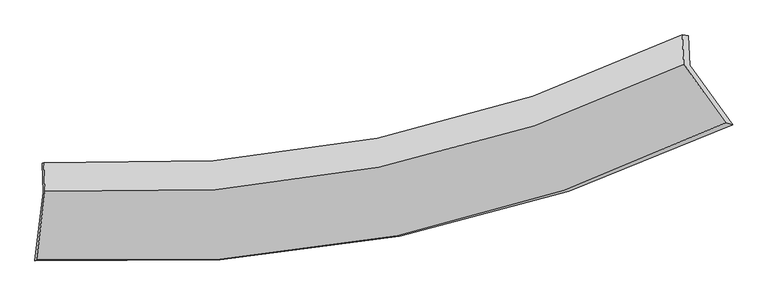
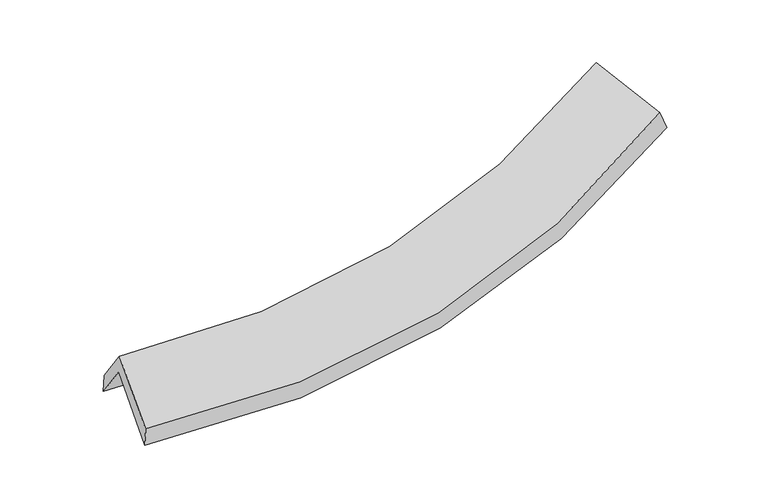
"""IFC4 building model written with IfcOpenShell, lengths in millimetres: proxy geometry."""

from ifc_helpers import new_model, si_unit, frame, origin, place, context, project, spatial, source, transform, mapped, element, save
from ifc_brep_helpers import plane_surface, spline_curve, spline_surface, advanced_brep


def generic_models_2a1711d9(model_context):
    return source(origin(), model_context, "Body", "AdvancedBrep", [
        advanced_brep(
        [(-2708.3489017, -2501.9058953, 1553.3658647), (-2641.0347164, -1956.918929, 1928.6491566), (2482.4911898, -950.2617157, 2465.3258102), (2820.6629671, -1424.1064591, 2125.6425632), (-2652.0926612, -1729.9450801, 1601.0208411), (2471.2029928, -718.5617423, 2130.8755094), (-2639.5410633, -1724.0800315, 1751.4671254), (2421.7781161, -711.9835425, 2280.9116327), (-2628.5422413, -1949.8403332, 2077.3437307), (2433.0663131, -943.6835159, 2615.3619334), (-2695.3655587, -2490.8531502, 1704.7970764), (2764.6503285, -1408.2975175, 2282.2958926)],
        [
            (0, 1),
            (1, 2, spline_curve(3, [(-2641.0347164, -1956.918929, 1928.6491566), (-1717.738222341, -2006.419548491, 1862.098538156), (-824.649776358, -1945.099120741, 1874.936439345), (881.859285007, -1604.656822012, 2057.331615167), (1696.612808052, -1330.424845131, 2223.385932159), (2482.4911898, -950.2617157, 2465.3258102)], [4, 2, 4], [0.0, 9.18678532868145, 18.168604187723634])),
            (2, 3),
            (3, 0, spline_curve(3, [(2820.6629671, -1424.1064591, 2125.6425632), (1971.321231086, -1832.689415464, 1866.156023292), (1091.445662474, -2127.087122631, 1688.329288568), (-750.148819379, -2491.624514011, 1493.800885705), (-1713.277207422, -2556.493285598, 1480.868720956), (-2708.3489017, -2501.9058953, 1553.3658647)], [4, 2, 4], [0.0, 8.981818859042184, 18.168604187723634])),
            (1, 4),
            (4, 5, spline_curve(3, [(-2652.0926612, -1729.9450801, 1601.0208411), (-1729.050506493, -1774.225167138, 1526.934577929), (-836.107418682, -1709.921140546, 1535.465764733), (870.32970113, -1368.002169669, 1715.729420019), (1685.151831068, -1095.178417026, 1883.816455793), (2471.2029928, -718.5617423, 2130.8755094)], [4, 2, 4], [0.0, 8.831290383206001, 17.465545748454883])),
            (5, 2),
            (4, 6),
            (6, 7, spline_curve(3, [(-2639.5410633, -1724.0800315, 1751.4671254), (-1726.558256085, -1768.141834111, 1688.305428186), (-843.869993621, -1703.669118949, 1702.202320273), (841.899675511, -1361.514619547, 1882.083974567), (1646.317806347, -1088.621838374, 2044.668584888), (2421.7781161, -711.9835425, 2280.9116327)], [4, 2, 4], [0.0, 8.779153432813395, 17.362435075749723])),
            (7, 5),
            (6, 8),
            (8, 9, spline_curve(3, [(-2628.5422413, -1949.8403332, 2077.3437307), (-1715.449582086, -1996.156943754, 2017.436764797), (-832.682351596, -1933.305117457, 2033.673349951), (853.182413278, -1593.102537345, 2216.372527015), (1657.618034358, -1320.568757648, 2379.475343153), (2433.0663131, -943.6835159, 2615.3619334)], [4, 2, 4], [0.0, 8.727004568721568, 17.2593008414528])),
            (9, 7),
            (8, 10),
            (10, 11, spline_curve(3, [(-2695.3655587, -2490.8531502, 1704.7970764), (-1708.266349594, -2550.863894061, 1632.905278044), (-754.959358887, -2488.270864963, 1646.58175154), (1063.55488098, -2122.009188946, 1842.856992236), (1930.253186009, -1823.750340433, 2021.680123978), (2764.6503285, -1408.2975175, 2282.2958926)], [4, 2, 4], [0.0, 9.054377913077884, 17.906743499838605])),
            (11, 9),
            (10, 0),
            (3, 11),
        ],
        [
            spline_surface(3, 3, [[(-2708.3489017, -2501.9058953, 1553.3658647), (-1713.277207371, -2556.49328552, 1480.868720873), (-750.148819502, -2491.624513931, 1493.800885678), (1091.445662595, -2127.087122709, 1688.329288595), (1971.321231025, -1832.689415589, 1866.156023264), (2820.6629671, -1424.1064591, 2125.6425632)], [(-2685.910839944, -2320.2435732, 1678.460295339), (-1714.76421238, -2373.13537318, 1607.945326677), (-774.98247182, -2309.449382928, 1620.846070219), (1021.583536756, -1952.943689109, 1811.330064168), (1879.751756656, -1665.267892092, 1985.232659545), (2707.939041337, -1266.158211323, 2238.870312175)], [(-2663.472778156, -2138.5812511, 1803.554725961), (-1716.251217358, -2189.777460839, 1735.021932465), (-799.816124126, -2127.274251888, 1747.891254708), (951.72141093, -1778.800255471, 1934.330839688), (1788.182282276, -1497.846368526, 2104.309295901), (2595.215115563, -1108.209963477, 2352.098061225)], [(-2641.0347164, -1956.918929, 1928.6491566), (-1717.738222367, -2006.419548499, 1862.098538269), (-824.649776444, -1945.099120886, 1874.936439249), (881.859285092, -1604.656821871, 2057.331615261), (1696.612807906, -1330.424845029, 2223.385932182), (2482.4911898, -950.2617157, 2465.3258102)]], [4, 4], [4, 2, 4], [0.0, 2.192222475779658], [0.0, 9.18678532868145, 18.168604187723634]),
            spline_surface(3, 3, [[(-2641.0347164, -1956.918929, 1928.6491566), (-1717.738222367, -2006.419548499, 1862.098538269), (-824.649776444, -1945.099120886, 1874.936439249), (881.859285092, -1604.656821871, 2057.331615261), (1696.612807906, -1330.424845029, 2223.385932182), (2482.4911898, -950.2617157, 2465.3258102)], [(-2644.720698, -1881.260979373, 1819.439718082), (-1721.508983721, -1929.02142136, 1750.377218185), (-828.468990476, -1866.706460764, 1761.779547766), (878.016090389, -1525.771937796, 1943.464216795), (1692.792482305, -1252.009368986, 2110.196106763), (2478.728457472, -873.028391219, 2353.842376627)], [(-2648.4066796, -1805.603029727, 1710.230279618), (-1725.279745074, -1851.623294201, 1638.655898153), (-832.288204504, -1788.313800666, 1648.622656329), (874.172895689, -1446.887053745, 1829.596818375), (1688.97215669, -1173.593892987, 1997.006281263), (2474.965725128, -795.795066781, 2242.358942973)], [(-2652.0926612, -1729.9450801, 1601.0208411), (-1729.050506427, -1774.225167062, 1526.934578069), (-836.107418536, -1709.921140544, 1535.465764845), (870.329700986, -1368.002169671, 1715.729419909), (1685.151831089, -1095.178416943, 1883.816455845), (2471.2029928, -718.5617423, 2130.8755094)]], [4, 4], [4, 2, 4], [0.0, 1.3595833921857021], [0.0, 8.831290383206001, 17.465545748454883]),
            spline_surface(3, 3, [[(-2652.0926612, -1729.9450801, 1601.0208411), (-1729.050506427, -1774.225167062, 1526.934578069), (-836.107418536, -1709.921140544, 1535.465764845), (870.329700986, -1368.002169671, 1715.729419909), (1685.151831089, -1095.178416943, 1883.816455845), (2471.2029928, -718.5617423, 2130.8755094)], [(-2647.908795223, -1727.990063885, 1651.169602545), (-1728.219756308, -1772.197389419, 1580.724861449), (-838.694943598, -1707.837133374, 1591.044616665), (860.853025861, -1365.839652942, 1771.180938111), (1672.207156188, -1092.992890724, 1937.433832156), (2454.728033906, -716.369009033, 2180.887550491)], [(-2643.724929277, -1726.035047715, 1701.318363955), (-1727.389006221, -1770.169611822, 1634.515144795), (-841.28246866, -1705.753126195, 1646.623468496), (851.376350736, -1363.677136203, 1826.632456324), (1659.26248127, -1090.807364504, 1991.051208494), (2438.253074994, -714.176275767, 2230.899591609)], [(-2639.5410633, -1724.0800315, 1751.4671254), (-1726.558256102, -1768.141834179, 1688.305428176), (-843.869993722, -1703.669119025, 1702.202320315), (841.899675611, -1361.514619473, 1882.083974526), (1646.317806369, -1088.621838285, 2044.668584805), (2421.7781161, -711.9835425, 2280.9116327)]], [4, 4], [4, 2, 4], [0.0, 0.5499474606088839], [0.0, 8.779153432813395, 17.362435075749723]),
            spline_surface(3, 3, [[(-2639.5410633, -1724.0800315, 1751.4671254), (-1726.558256102, -1768.141834179, 1688.305428176), (-843.869993722, -1703.669119025, 1702.202320315), (841.899675611, -1361.514619473, 1882.083974526), (1646.317806369, -1088.621838285, 2044.668584805), (2421.7781161, -711.9835425, 2280.9116327)], [(-2635.874789311, -1799.333465409, 1860.092660512), (-1722.855364766, -1844.146870713, 1798.015873744), (-840.140779678, -1780.214451843, 1812.692663491), (845.660588193, -1438.710592084, 1993.513492061), (1650.084549022, -1165.937478135, 2156.270837553), (2425.540848428, -789.216866981, 2392.395066273)], [(-2632.208515289, -1874.586899291, 1968.718195588), (-1719.152473395, -1920.15190722, 1907.726319276), (-836.411565676, -1856.75978467, 1923.183006661), (849.421500731, -1515.906564703, 2104.943009591), (1653.851291689, -1243.253117941, 2267.873090283), (2429.303580772, -866.450191419, 2503.878499827)], [(-2628.5422413, -1949.8403332, 2077.3437307), (-1715.449582059, -1996.156943753, 2017.436764844), (-832.682351631, -1933.305117489, 2033.673349837), (853.182413312, -1593.102537314, 2216.372527127), (1657.618034342, -1320.568757791, 2379.475343031), (2433.0663131, -943.6835159, 2615.3619334)]], [4, 4], [4, 2, 4], [0.0, 1.3289847107883759], [0.0, 8.727004568721568, 17.2593008414528]),
            spline_surface(3, 3, [[(-2628.5422413, -1949.8403332, 2077.3437307), (-1715.449582059, -1996.156943753, 2017.436764844), (-832.682351631, -1933.305117489, 2033.673349837), (853.182413312, -1593.102537314, 2216.372527127), (1657.618034342, -1320.568757791, 2379.475343031), (2433.0663131, -943.6835159, 2615.3619334)], [(-2650.816680415, -2130.17793887, 1953.161512597), (-1713.055171184, -2181.05926051, 1889.259602581), (-806.774687382, -2118.293699979, 1904.642817123), (923.306569153, -1769.404754531, 2091.867348801), (1748.496418224, -1488.295952004, 2260.210269989), (2543.594318231, -1098.554849759, 2504.339919794)], [(-2673.091119585, -2310.51554453, 1828.979294503), (-1710.660760366, -2365.961577256, 1761.082440327), (-780.867023061, -2303.282282461, 1775.612284376), (993.430725066, -1945.706971741, 1967.362170442), (1839.374802112, -1656.023146241, 2140.945196963), (2654.122323369, -1253.426183641, 2393.317906206)], [(-2695.3655587, -2490.8531502, 1704.7970764), (-1708.266349491, -2550.863894013, 1632.905278065), (-754.959358812, -2488.27086495, 1646.581751662), (1063.554880907, -2122.009188958, 1842.856992116), (1930.253185993, -1823.750340455, 2021.680123921), (2764.6503285, -1408.2975175, 2282.2958926)]], [4, 4], [4, 2, 4], [0.0, 2.2229312849427116], [0.0, 9.054377913077884, 17.906743499838605]),
            spline_surface(3, 3, [[(-2695.3655587, -2490.8531502, 1704.7970764), (-1708.266349491, -2550.863894013, 1632.905278065), (-754.959358812, -2488.27086495, 1646.581751662), (1063.554880907, -2122.009188958, 1842.856992116), (1930.253185993, -1823.750340455, 2021.680123921), (2764.6503285, -1408.2975175, 2282.2958926)], [(-2699.693339707, -2494.537398563, 1654.320005825), (-1709.936635459, -2552.740357844, 1582.226425659), (-753.355845694, -2489.388747936, 1595.654796322), (1072.851808151, -2123.701833534, 1791.347757597), (1943.94253433, -1826.730032151, 1969.838757041), (2783.321208026, -1413.567164684, 2230.078116139)], [(-2704.021120693, -2498.221646937, 1603.842935275), (-1711.606921404, -2554.616821688, 1531.547573278), (-751.75233262, -2490.506630945, 1544.727841018), (1082.148735351, -2125.394478133, 1739.838523114), (1957.631882689, -1829.709723893, 1917.997390144), (2801.992087574, -1418.836811916, 2177.860339661)], [(-2708.3489017, -2501.9058953, 1553.3658647), (-1713.277207371, -2556.49328552, 1480.868720873), (-750.148819502, -2491.624513931, 1493.800885678), (1091.445662595, -2127.087122709, 1688.329288595), (1971.321231025, -1832.689415589, 1866.156023264), (2820.6629671, -1424.1064591, 2125.6425632)]], [4, 4], [4, 2, 4], [0.0, 0.5069947409557843], [0.0, 9.45263808178563, 18.694378250200796]),
            plane_surface(frame((2565.6419846, -1026.1490822, 2316.7355569), z_axis=(0.8645738938243364, 0.42625417891871215, 0.26611906559237697), x_axis=(0.5017398121402057, -0.7030355235670823, -0.5039823543699418))),
            plane_surface(frame((-2660.8208571, -2058.9239032, 1769.4406325), z_axis=(-0.9944787929912892, 0.0675127567099707, 0.0803365294994071), x_axis=(0.08519917527303232, 0.07253022309792119, 0.9937205176860147))),
        ],
        [
            (0, [[1, 2, 3, 4]]),
            (1, [[5, 6, 7, -2]]),
            (2, [[8, 9, 10, -6]]),
            (3, [[11, 12, 13, -9]]),
            (4, [[14, 15, 16, -12]]),
            (5, [[17, -4, 18, -15]]),
            (6, [[-16, -18, -3, -7, -10, -13]]),
            (7, [[-17, -14, -11, -8, -5, -1]]),
        ],
    ),
    ])


if __name__ == "__main__":
    model = new_model("IFC4")
    model_context = context("Model", 3, world=origin())
    ifc_project = project(units=[si_unit("LENGTHUNIT", "METRE", prefix="MILLI")], contexts=[model_context])
    site = spatial("IfcSite", under=ifc_project)
    building = spatial("IfcBuilding", under=site)
    placement = place(None, origin())
    generic_models_shape = generic_models_2a1711d9(model_context)
    element("IfcBuildingElementProxy", 1, Name="Generic Models", at=placement, inside=building, context=model_context, shape_type="MappedRepresentation", body=[
        mapped(generic_models_shape, transform((0.0, 0.0, 0.0), x_axis=(1.0, 0.0, 0.0), y_axis=(0.0, 1.0, 0.0), z_axis=(0.0, 0.0, 1.0))),
    ])
    save(model, "model.ifc")
